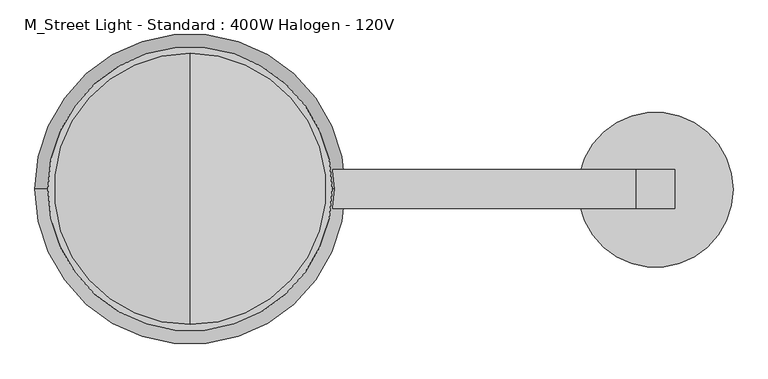
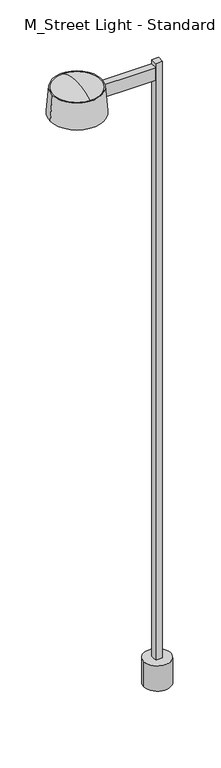
"""IFC4 building model written with IfcOpenShell, lengths in millimetres: light fixture geometry, M_Street Light - Standard : 400W Halogen - 120V."""

from ifc_helpers import new_model, si_unit, point, frame, origin, origin_with_axes, origin_2d, place, context, project, spatial, polyline, circle_curve, ellipse_curve, trimmed, segment, composite_curve, outline, extrude, source, transform, mapped, element, save
from ifc_brep_helpers import plane_surface, revolved_surface, advanced_brep


def m_street_light_standard_400w_halogen_120v_fdc90974(model_context):
    return source(origin(), model_context, "Body", "SolidModel", [
        advanced_brep(
        [(-914.4, -266.7, 7500.0), (-914.4, 266.7, 7500.0), (-914.4, 0.0, 7571.4620496), (-914.4, -228.6332063, 7500.0), (-914.4, 228.6332063, 7500.0), (-914.4, 0.0, 7558.7620496)],
        [
            (0, 1, circle_curve(frame((-914.4, 0.0, 7500.0), z_axis=(0.0, 0.0, 1.0), x_axis=(0.0, 1.0, 0.0)), 266.7)),
            (1, 2, circle_curve(frame((-914.4, -28.9924067, 6929.8609147), z_axis=(1.0, 0.0, 0.0), x_axis=(0.0, 0.0, 1.0)), 642.2558493)),
            (2, 0, circle_curve(frame((-914.4, 28.9924067, 6929.8609147), z_axis=(1.0, 0.0, 0.0), x_axis=(0.0, 0.0, 1.0)), 642.2558493)),
            (1, 0, circle_curve(frame((-914.4, 0.0, 7500.0), z_axis=(0.0, 0.0, 1.0), x_axis=(0.0, 1.0, 0.0)), 266.7)),
            (3, 4, circle_curve(frame((-914.4, 0.0, 7500.0), z_axis=(0.0, 0.0, 1.0), x_axis=(0.0, 1.0, 0.0)), 228.6332063)),
            (4, 1),
            (0, 3),
            (4, 3, circle_curve(frame((-914.4, 0.0, 7500.0), z_axis=(0.0, 0.0, 1.0), x_axis=(0.0, 1.0, 0.0)), 228.6332063)),
            (5, 4),
            (3, 5),
        ],
        [
            revolved_surface(trimmed(ellipse_curve(frame((-914.4, -28.9924067, 6929.8609147), z_axis=(-1.0, 0.0, 0.0), x_axis=(0.0, 0.0, 1.0)), 642.2558493, 642.2558493), [point((-914.4, 0.0, 7571.4620496))], [point((-914.4, 266.7, 7500.0))], True, "CARTESIAN"), (-914.4, 0.0, 7423.8), (0.0, 0.0, -1.0)),
            plane_surface(frame((-914.4, 0.0, 7500.0), z_axis=(0.0, 0.0, -1.0), x_axis=(0.0, 1.0, 0.0))),
            revolved_surface(polyline([(-914.4, 228.6332063, 7500.0), (-914.4, 0.0, 7558.7620496)]), (-914.4, 0.0, 7423.8), (0.0, 0.0, -1.0)),
        ],
        [
            (0, [[1, 2, 3]]),
            (0, [[4, -3, -2]]),
            (1, [[5, 6, -1, 7]]),
            (1, [[8, -7, -4, -6]]),
            (2, [[9, -5, 10]]),
            (2, [[-10, -8, -9]]),
        ],
    ),
        advanced_brep(
        [(-1193.8, 0.0, 7500.0), (-635.0, 0.0, 7500.0), (-1219.2, 0.0, 7195.2), (-609.6, 0.0, 7195.2)],
        [
            (0, 1, circle_curve(frame((-914.4, 0.0, 7500.0), z_axis=(0.0, 0.0, 1.0), x_axis=(-1.0, 0.0, 0.0)), 279.4)),
            (1, 0, circle_curve(frame((-914.4, 0.0, 7500.0), z_axis=(0.0, 0.0, 1.0), x_axis=(1.0, 0.0, 0.0)), 279.4)),
            (2, 3, circle_curve(frame((-914.4, 0.0, 7195.2), z_axis=(0.0, 0.0, -1.0), x_axis=(1.0, 0.0, 0.0)), 304.8)),
            (3, 2, circle_curve(frame((-914.4, 0.0, 7195.2), z_axis=(0.0, 0.0, -1.0), x_axis=(-1.0, 0.0, 0.0)), 304.8)),
            (3, 1),
            (0, 2),
        ],
        [
            plane_surface(frame((-914.4, 0.0, 7500.0), z_axis=(0.0, 0.0, 1.0), x_axis=(0.0, -1.0, 0.0))),
            plane_surface(frame((-914.4, 0.0, 7195.2), z_axis=(0.0, 0.0, -1.0), x_axis=(0.0, -1.0, 0.0))),
            revolved_surface(polyline([(-1193.8, 0.0, 7500.0), (-1219.2, 0.0, 7195.2)]), (-914.4, 0.0, 10852.8), (0.0, 0.0, -1.0)),
            revolved_surface(polyline([(-635.0, 0.0, 7500.0), (-609.6, 0.0, 7195.2)]), (-914.4, 0.0, 10852.8), (0.0, 0.0, -1.0)),
        ],
        [
            (0, [[1, 2]]),
            (1, [[3, 4]]),
            (2, [[-4, 5, -1, 6]]),
            (3, [[-3, -6, -2, -5]]),
        ],
    ),
        extrude(outline(polyline([(-914.4, 38.1), (-38.1, 38.1), (-38.1, -38.1), (-914.4, -38.1), (-914.4, 38.1)])), frame((0.0, 0.0, 7296.8), z_axis=(0.0, 0.0, 1.0), x_axis=(1.0, 0.0, 0.0)), (0.0, 0.0, 1.0), 152.4),
        extrude(outline(polyline([(38.1, 38.1), (38.1, -38.1), (-38.1, -38.1), (-38.1, 38.1), (38.1, 38.1)])), frame((0.0, 0.0, 304.8), z_axis=(0.0, 0.0, 1.0), x_axis=(1.0, 0.0, 0.0)), (0.0, 0.0, 1.0), 7195.2),
        extrude(outline(composite_curve([segment(trimmed(circle_curve(origin_2d(), 152.4), [point((-152.4, 0.0))], [point((152.4, 0.0))], False, "CARTESIAN"), True, "CONTINUOUS"), segment(trimmed(circle_curve(origin_2d(), 152.4), [point((152.4, 0.0))], [point((-152.4, 0.0))], False, "CARTESIAN"), True, "CONTINUOUS")], self_intersect=False)), origin_with_axes(), (0.0, 0.0, 1.0), 304.8),
        advanced_brep(
        [(-914.4, -228.6332063, 7195.2), (-914.4, 228.6332063, 7195.2), (-914.4, 0.0, 7136.4379504), (-914.4, -266.7, 7195.2), (-914.4, 266.7, 7195.2), (-914.4, 0.0, 7123.7379504)],
        [
            (0, 1, circle_curve(frame((-914.4, 0.0, 7195.2), z_axis=(0.0, 0.0, 1.0), x_axis=(0.0, 1.0, 0.0)), 228.6332063)),
            (1, 2),
            (2, 0),
            (1, 0, circle_curve(frame((-914.4, 0.0, 7195.2), z_axis=(0.0, 0.0, 1.0), x_axis=(0.0, 1.0, 0.0)), 228.6332063)),
            (3, 4, circle_curve(frame((-914.4, 0.0, 7195.2), z_axis=(0.0, 0.0, 1.0), x_axis=(0.0, 1.0, 0.0)), 266.7)),
            (4, 1),
            (0, 3),
            (4, 3, circle_curve(frame((-914.4, 0.0, 7195.2), z_axis=(0.0, 0.0, 1.0), x_axis=(0.0, 1.0, 0.0)), 266.7)),
            (5, 4, circle_curve(frame((-914.4, -28.9924067, 7765.3390853), z_axis=(1.0, 0.0, 0.0), x_axis=(0.0, 0.0, -1.0)), 642.2558493)),
            (3, 5, circle_curve(frame((-914.4, 28.9924067, 7765.3390853), z_axis=(1.0, 0.0, 0.0), x_axis=(0.0, 0.0, -1.0)), 642.2558493)),
        ],
        [
            revolved_surface(polyline([(-914.4, 0.0, 7136.4379504), (-914.4, 228.6332063, 7195.2)]), (-914.4, 0.0, 7271.4), (0.0, 0.0, -1.0)),
            plane_surface(frame((-914.4, 0.0, 7195.2), z_axis=(0.0, 0.0, 1.0), x_axis=(0.0, 1.0, 0.0))),
            revolved_surface(trimmed(ellipse_curve(frame((-914.4, -28.9924067, 7765.3390853), z_axis=(-1.0, 0.0, 0.0), x_axis=(0.0, 0.0, -1.0)), 642.2558493, 642.2558493), [point((-914.4, 266.7, 7195.2))], [point((-914.4, 0.0, 7123.7379504))], True, "CARTESIAN"), (-914.4, 0.0, 7271.4), (0.0, 0.0, -1.0)),
        ],
        [
            (0, [[1, 2, 3]]),
            (0, [[4, -3, -2]]),
            (1, [[5, 6, -1, 7]]),
            (1, [[8, -7, -4, -6]]),
            (2, [[9, -5, 10]]),
            (2, [[-10, -8, -9]]),
        ],
    ),
    ])


if __name__ == "__main__":
    model = new_model("IFC4")
    model_context = context("Model", 3, world=origin())
    ifc_project = project(units=[si_unit("LENGTHUNIT", "METRE", prefix="MILLI")], contexts=[model_context])
    site = spatial("IfcSite", under=ifc_project)
    building = spatial("IfcBuilding", under=site)
    placement = place(None, origin())
    m_street_light_standard_400w_halogen_120v_shape = m_street_light_standard_400w_halogen_120v_fdc90974(model_context)
    element("IfcLightFixture", 1, ObjectType="M_Street Light - Standard : 400W Halogen - 120V", at=placement, inside=building, context=model_context, shape_type="MappedRepresentation", body=[
        mapped(m_street_light_standard_400w_halogen_120v_shape, transform((0.0, 0.0, 0.0), x_axis=(1.0, 0.0, 0.0), y_axis=(0.0, 1.0, 0.0), z_axis=(0.0, 0.0, 1.0))),
    ])
    save(model, "model.ifc")
